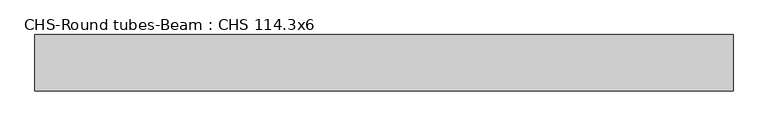
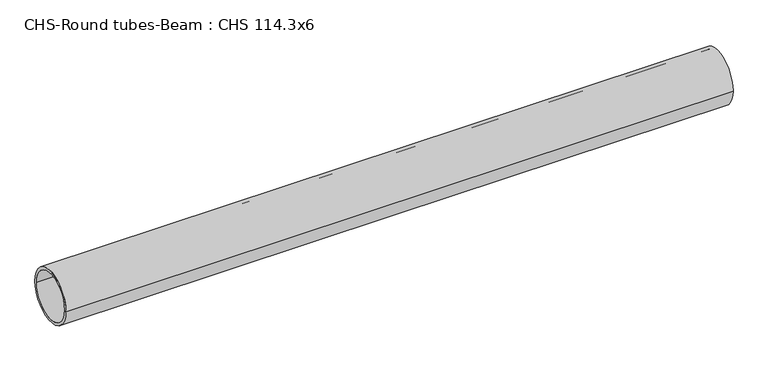
"""IFC4 building model written with IfcOpenShell, lengths in millimetres: beam geometry, CHS-Round tubes-Beam : CHS 114.3x6."""

import ifcopenshell
import ifcopenshell.guid

model = None  # the IFC model being written
_history = None  # IfcOwnerHistory: only IFC2X3 demands one
_inside = {}  # id of a spatial element -> (the spatial element, [elements in it])
_under = {}  # id of a project, library or spatial element -> (it, [spatial elements below it])
_declared = {}  # id of a project -> (the project, [libraries it declares])
_typed = {}  # id of a type object -> (the type object, [elements of that type])
_made_of = {}  # id of a material, layer set ... -> (it, [elements and type objects made of it])


def new_model(schema):
    """Start an empty IFC model of exactly this schema.

    Asked for "IFC4X3", IfcOpenShell would pick the latest addendum, in which some entities
    have other attributes; the version numbers below select the first issue.
    IFC2X3 requires an IfcOwnerHistory on every rooted entity: one is made here for all.
    """
    global model, _history
    if schema == "IFC4X3":
        model = ifcopenshell.file(schema_version=(4, 3, 0, 0))
    else:
        model = ifcopenshell.file(schema=schema)
    _inside.clear()
    _under.clear()
    _declared.clear()
    _typed.clear()
    _made_of.clear()
    _history = None
    if model.schema == "IFC2X3":
        org = make("IfcOrganization", Name="unknown")
        user = make(
            "IfcPersonAndOrganization",
            ThePerson=make("IfcPerson", FamilyName="unknown"),
            TheOrganization=org,
        )
        app = make(
            "IfcApplication",
            ApplicationDeveloper=org,
            Version="unknown",
            ApplicationFullName="unknown",
            ApplicationIdentifier="unknown",
        )
        _history = make(
            "IfcOwnerHistory",
            OwningUser=user,
            OwningApplication=app,
            ChangeAction="ADDED",
            CreationDate=0,
        )
    return model


def make(cls, **values):
    """One entity of the class cls with the attributes given. An attribute that is None is left unset."""
    return model.create_entity(
        cls, **{name: value for name, value in values.items() if value is not None}
    )


def rooted(cls, **values):
    """An entity with a GlobalId (a new one), such as an element, a storey or a relation."""
    return make(cls, GlobalId=ifcopenshell.guid.new(), OwnerHistory=_history, **values)


def si_unit(unit_type, name, prefix=None):
    """IfcSIUnit, for example si_unit("LENGTHUNIT", "METRE", prefix="MILLI")."""
    return make("IfcSIUnit", UnitType=unit_type, Prefix=prefix, Name=name)


def assignment(units):
    """IfcUnitAssignment: the units of a project."""
    return None if units is None else make("IfcUnitAssignment", Units=units)


def point(xyz):
    """IfcCartesianPoint."""
    return None if xyz is None else make("IfcCartesianPoint", Coordinates=xyz)


def direction(xyz):
    """IfcDirection."""
    return None if xyz is None else make("IfcDirection", DirectionRatios=xyz)


def frame(location, z_axis=None, x_axis=None):
    """IfcAxis2Placement3D, a coordinate frame: its origin and axes. An axis left out is left unset."""
    return make(
        "IfcAxis2Placement3D",
        Location=point(location),
        Axis=direction(z_axis),
        RefDirection=direction(x_axis),
    )


def frame_2d(location, x_axis=None):
    """IfcAxis2Placement2D, a coordinate frame in the plane: its origin and x axis."""
    return make(
        "IfcAxis2Placement2D", Location=point(location), RefDirection=direction(x_axis)
    )


def origin():
    """The frame at (0, 0, 0) with its axes left unset."""
    return frame((0.0, 0.0, 0.0))


def origin_2d():
    """The frame at (0, 0) in the plane with its x axis left unset."""
    return frame_2d((0.0, 0.0))


def place(relative_to, where):
    """IfcLocalPlacement: puts the frame where relative to a parent placement (None: the world)."""
    return make(
        "IfcLocalPlacement", PlacementRelTo=relative_to, RelativePlacement=where
    )


def context(
    kind, dimensions, precision=None, world=None, true_north=None, identifier=None
):
    """IfcGeometricRepresentationContext, for example the 3D "Model" context."""
    return make(
        "IfcGeometricRepresentationContext",
        ContextIdentifier=identifier,
        ContextType=kind,
        CoordinateSpaceDimension=dimensions,
        Precision=precision,
        WorldCoordinateSystem=world,
        TrueNorth=true_north,
    )


def project(units=None, contexts=None):
    """IfcProject with its units and contexts."""
    return rooted(
        "IfcProject",
        Name="project",
        RepresentationContexts=contexts,
        UnitsInContext=assignment(units),
    )


def spatial(cls, under=None, at=None, **own):
    """A site, building, storey or space (cls), placed at a placement, below another one or the project."""
    s = rooted(cls, ObjectPlacement=at, **own)
    if under is not None:
        _under.setdefault(under.id(), (under, []))[1].append(s)
    return s


def circle_curve(where, radius):
    """IfcCircle in the frame where."""
    return make("IfcCircle", Position=where, Radius=radius)


def trimmed(basis, trim1, trim2, sense, master):
    """IfcTrimmedCurve: the piece of a basis curve between two trims."""
    return make(
        "IfcTrimmedCurve",
        BasisCurve=basis,
        Trim1=trim1,
        Trim2=trim2,
        SenseAgreement=sense,
        MasterRepresentation=master,
    )


def segment(curve, same_sense, transition):
    """IfcCompositeCurveSegment."""
    return make(
        "IfcCompositeCurveSegment",
        Transition=transition,
        SameSense=same_sense,
        ParentCurve=curve,
    )


def composite_curve(segments, self_intersect=None):
    """IfcCompositeCurve: segments joined end to end."""
    return make("IfcCompositeCurve", Segments=segments, SelfIntersect=self_intersect)


def outline(outer, holes=None, kind="AREA"):
    """IfcArbitraryClosedProfileDef: a profile drawn as a closed curve; with holes, ...WithVoids."""
    if holes is None:
        return make("IfcArbitraryClosedProfileDef", ProfileType=kind, OuterCurve=outer)
    return make(
        "IfcArbitraryProfileDefWithVoids",
        ProfileType=kind,
        OuterCurve=outer,
        InnerCurves=holes,
    )


def extrude(swept, where, along, depth):
    """IfcExtrudedAreaSolid: the profile swept, set in the frame where, extruded along a direction by depth."""
    return make(
        "IfcExtrudedAreaSolid",
        SweptArea=swept,
        Position=where,
        ExtrudedDirection=direction(along),
        Depth=depth,
    )


def shape(context_of_items, identifier, shape_type, items):
    """IfcShapeRepresentation: the items that make up one representation, for example the "Body"."""
    return make(
        "IfcShapeRepresentation",
        ContextOfItems=context_of_items,
        RepresentationIdentifier=identifier,
        RepresentationType=shape_type,
        Items=items,
    )


def source(mapping_origin, context_of_items, identifier, shape_type, items):
    """IfcRepresentationMap: a shape defined once, which mapped items show again and again."""
    return make(
        "IfcRepresentationMap",
        MappingOrigin=mapping_origin,
        MappedRepresentation=shape(context_of_items, identifier, shape_type, items),
    )


def transform(
    local_origin,
    x_axis=None,
    y_axis=None,
    z_axis=None,
    scale=None,
    scale2=None,
    scale3=None,
    uniform=True,
):
    """IfcCartesianTransformationOperator3D, or its non-uniform kind. x_axis, y_axis, z_axis: its Axis1, 2, 3."""
    if uniform:
        return make(
            "IfcCartesianTransformationOperator3D",
            Axis1=direction(x_axis),
            Axis2=direction(y_axis),
            LocalOrigin=point(local_origin),
            Scale=scale,
            Axis3=direction(z_axis),
        )
    return make(
        "IfcCartesianTransformationOperator3DnonUniform",
        Axis1=direction(x_axis),
        Axis2=direction(y_axis),
        LocalOrigin=point(local_origin),
        Scale=scale,
        Axis3=direction(z_axis),
        Scale2=scale2,
        Scale3=scale3,
    )


def mapped(mapping_source, mapping_target):
    """IfcMappedItem: shows the shape of a source again, moved by a transform."""
    return make(
        "IfcMappedItem", MappingSource=mapping_source, MappingTarget=mapping_target
    )


def made_of(thing, what):
    """Note that an element or type object is made of a material, layer set ...; save() writes the relation."""
    if what is not None:
        _made_of.setdefault(what.id(), (what, []))[1].append(thing)
    return thing


def element(
    cls,
    number,
    at=None,
    inside=None,
    cuts=None,
    type_object=None,
    material=None,
    context=None,
    identifier="Body",
    shape_type=None,
    held_by="IfcProductDefinitionShape",
    body=None,
    shapes=None,
    **own,
):
    """One element of the class cls, such as IfcWall. Its Tag is "e" and its number.

    at: its placement. inside: the storey or other place that contains it. cuts: it is an
    opening in that element (IfcRelVoidsElement). A single representation is given by context,
    identifier, shape_type and body (its items); several are given by shapes. held_by: the class
    of the entity that holds the representations. save() writes the other relations.
    """
    e = rooted(cls, Tag="e%d" % number, ObjectPlacement=at, **own)
    if body is not None:
        shapes = [shape(context, identifier, shape_type, body)]
    if shapes is not None:
        e.Representation = make(held_by, Representations=shapes)
    if inside is not None:
        _inside.setdefault(inside.id(), (inside, []))[1].append(e)
    if cuts is not None:
        rooted(
            "IfcRelVoidsElement", RelatingBuildingElement=cuts, RelatedOpeningElement=e
        )
    if type_object is not None:
        _typed.setdefault(type_object.id(), (type_object, []))[1].append(e)
    return made_of(e, material)


def aggregate(whole, parts):
    """IfcRelAggregates: a whole, such as a stair, and the parts it consists of."""
    return rooted("IfcRelAggregates", RelatingObject=whole, RelatedObjects=parts)


def save(model, path):
    """Write the relations noted so far, then the file.

    IfcRelAggregates (storeys below a building ...), IfcRelContainedInSpatialStructure (elements
    in a storey), IfcRelDefinesByType, IfcRelAssociatesMaterial and IfcRelDeclares: one each for
    every whole, place, type object, material and project.
    """
    for whole, parts in _under.values():
        aggregate(whole, parts)
    for where, things in _inside.values():
        rooted(
            "IfcRelContainedInSpatialStructure",
            RelatedElements=things,
            RelatingStructure=where,
        )
    for kind, things in _typed.values():
        rooted("IfcRelDefinesByType", RelatedObjects=things, RelatingType=kind)
    for what, things in _made_of.values():
        rooted("IfcRelAssociatesMaterial", RelatedObjects=things, RelatingMaterial=what)
    for by, libraries in _declared.values():
        rooted("IfcRelDeclares", RelatingContext=by, RelatedDefinitions=libraries)
    model.write(path)


def chs_round_tubes_beam_chs_114_3x6_4de1413f(model_context):
    return source(origin(), model_context, "Body", "SweptSolid", [
        extrude(outline(composite_curve([segment(trimmed(circle_curve(origin_2d(), 57.15), [point((57.15, 0.0))], [point((-57.15, 0.0))], False, "CARTESIAN"), True, "CONTINUOUS"), segment(trimmed(circle_curve(origin_2d(), 57.15), [point((-57.15, 0.0))], [point((57.15, 0.0))], False, "CARTESIAN"), True, "CONTINUOUS")], self_intersect=False), holes=[composite_curve([segment(trimmed(circle_curve(origin_2d(), 51.15), [point((51.15, 0.0))], [point((-51.15, 0.0))], True, "CARTESIAN"), True, "CONTINUOUS"), segment(trimmed(circle_curve(origin_2d(), 51.15), [point((-51.15, 0.0))], [point((51.15, 0.0))], True, "CARTESIAN"), True, "CONTINUOUS")], self_intersect=False)]), frame((-771.3074868, 0.0, 0.0), z_axis=(1.0, 0.0, 0.0), x_axis=(0.0, 1.0, 0.0)), (0.0, 0.0, 1.0), 1420.6641804),
    ])


if __name__ == "__main__":
    model = new_model("IFC4")
    model_context = context("Model", 3, world=origin())
    ifc_project = project(units=[si_unit("LENGTHUNIT", "METRE", prefix="MILLI")], contexts=[model_context])
    site = spatial("IfcSite", under=ifc_project)
    building = spatial("IfcBuilding", under=site)
    placement = place(None, origin())
    chs_round_tubes_beam_chs_114_3x6_shape = chs_round_tubes_beam_chs_114_3x6_4de1413f(model_context)
    element("IfcBeam", 1, ObjectType="CHS-Round tubes-Beam : CHS 114.3x6", at=placement, inside=building, context=model_context, shape_type="MappedRepresentation", body=[
        mapped(chs_round_tubes_beam_chs_114_3x6_shape, transform((0.0, 0.0, 0.0), x_axis=(1.0, 0.0, 0.0), y_axis=(0.0, 1.0, 0.0), z_axis=(0.0, 0.0, 1.0))),
    ])
    save(model, "model.ifc")
